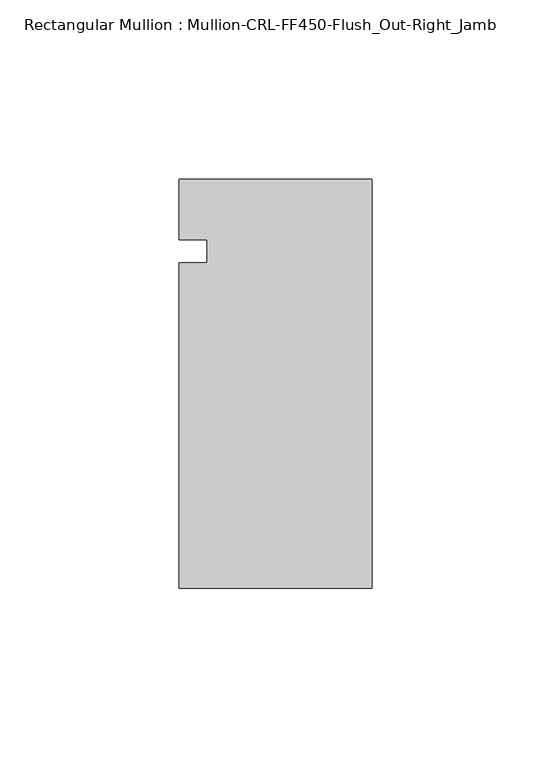
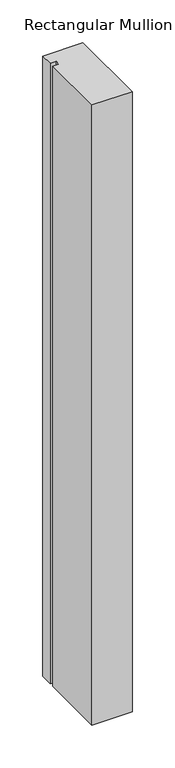
"""IFC4 building model written with IfcOpenShell, lengths in millimetres: member geometry, Rectangular Mullion : Mullion-CRL-FF450-Flush_Out-Right_Jamb."""

import ifcopenshell
import ifcopenshell.guid

model = None  # the IFC model being written
_history = None  # IfcOwnerHistory: only IFC2X3 demands one
_inside = {}  # id of a spatial element -> (the spatial element, [elements in it])
_under = {}  # id of a project, library or spatial element -> (it, [spatial elements below it])
_declared = {}  # id of a project -> (the project, [libraries it declares])
_typed = {}  # id of a type object -> (the type object, [elements of that type])
_made_of = {}  # id of a material, layer set ... -> (it, [elements and type objects made of it])


def new_model(schema):
    """Start an empty IFC model of exactly this schema.

    Asked for "IFC4X3", IfcOpenShell would pick the latest addendum, in which some entities
    have other attributes; the version numbers below select the first issue.
    IFC2X3 requires an IfcOwnerHistory on every rooted entity: one is made here for all.
    """
    global model, _history
    if schema == "IFC4X3":
        model = ifcopenshell.file(schema_version=(4, 3, 0, 0))
    else:
        model = ifcopenshell.file(schema=schema)
    _inside.clear()
    _under.clear()
    _declared.clear()
    _typed.clear()
    _made_of.clear()
    _history = None
    if model.schema == "IFC2X3":
        org = make("IfcOrganization", Name="unknown")
        user = make(
            "IfcPersonAndOrganization",
            ThePerson=make("IfcPerson", FamilyName="unknown"),
            TheOrganization=org,
        )
        app = make(
            "IfcApplication",
            ApplicationDeveloper=org,
            Version="unknown",
            ApplicationFullName="unknown",
            ApplicationIdentifier="unknown",
        )
        _history = make(
            "IfcOwnerHistory",
            OwningUser=user,
            OwningApplication=app,
            ChangeAction="ADDED",
            CreationDate=0,
        )
    return model


def make(cls, **values):
    """One entity of the class cls with the attributes given. An attribute that is None is left unset."""
    return model.create_entity(
        cls, **{name: value for name, value in values.items() if value is not None}
    )


def rooted(cls, **values):
    """An entity with a GlobalId (a new one), such as an element, a storey or a relation."""
    return make(cls, GlobalId=ifcopenshell.guid.new(), OwnerHistory=_history, **values)


def si_unit(unit_type, name, prefix=None):
    """IfcSIUnit, for example si_unit("LENGTHUNIT", "METRE", prefix="MILLI")."""
    return make("IfcSIUnit", UnitType=unit_type, Prefix=prefix, Name=name)


def assignment(units):
    """IfcUnitAssignment: the units of a project."""
    return None if units is None else make("IfcUnitAssignment", Units=units)


def point(xyz):
    """IfcCartesianPoint."""
    return None if xyz is None else make("IfcCartesianPoint", Coordinates=xyz)


def direction(xyz):
    """IfcDirection."""
    return None if xyz is None else make("IfcDirection", DirectionRatios=xyz)


def frame(location, z_axis=None, x_axis=None):
    """IfcAxis2Placement3D, a coordinate frame: its origin and axes. An axis left out is left unset."""
    return make(
        "IfcAxis2Placement3D",
        Location=point(location),
        Axis=direction(z_axis),
        RefDirection=direction(x_axis),
    )


def origin():
    """The frame at (0, 0, 0) with its axes left unset."""
    return frame((0.0, 0.0, 0.0))


def place(relative_to, where):
    """IfcLocalPlacement: puts the frame where relative to a parent placement (None: the world)."""
    return make(
        "IfcLocalPlacement", PlacementRelTo=relative_to, RelativePlacement=where
    )


def context(
    kind, dimensions, precision=None, world=None, true_north=None, identifier=None
):
    """IfcGeometricRepresentationContext, for example the 3D "Model" context."""
    return make(
        "IfcGeometricRepresentationContext",
        ContextIdentifier=identifier,
        ContextType=kind,
        CoordinateSpaceDimension=dimensions,
        Precision=precision,
        WorldCoordinateSystem=world,
        TrueNorth=true_north,
    )


def project(units=None, contexts=None):
    """IfcProject with its units and contexts."""
    return rooted(
        "IfcProject",
        Name="project",
        RepresentationContexts=contexts,
        UnitsInContext=assignment(units),
    )


def spatial(cls, under=None, at=None, **own):
    """A site, building, storey or space (cls), placed at a placement, below another one or the project."""
    s = rooted(cls, ObjectPlacement=at, **own)
    if under is not None:
        _under.setdefault(under.id(), (under, []))[1].append(s)
    return s


def polyline(points):
    """IfcPolyline through the points."""
    return make("IfcPolyline", Points=[point(p) for p in points])


def outline(outer, holes=None, kind="AREA"):
    """IfcArbitraryClosedProfileDef: a profile drawn as a closed curve; with holes, ...WithVoids."""
    if holes is None:
        return make("IfcArbitraryClosedProfileDef", ProfileType=kind, OuterCurve=outer)
    return make(
        "IfcArbitraryProfileDefWithVoids",
        ProfileType=kind,
        OuterCurve=outer,
        InnerCurves=holes,
    )


def extrude(swept, where, along, depth):
    """IfcExtrudedAreaSolid: the profile swept, set in the frame where, extruded along a direction by depth."""
    return make(
        "IfcExtrudedAreaSolid",
        SweptArea=swept,
        Position=where,
        ExtrudedDirection=direction(along),
        Depth=depth,
    )


def shape(context_of_items, identifier, shape_type, items):
    """IfcShapeRepresentation: the items that make up one representation, for example the "Body"."""
    return make(
        "IfcShapeRepresentation",
        ContextOfItems=context_of_items,
        RepresentationIdentifier=identifier,
        RepresentationType=shape_type,
        Items=items,
    )


def source(mapping_origin, context_of_items, identifier, shape_type, items):
    """IfcRepresentationMap: a shape defined once, which mapped items show again and again."""
    return make(
        "IfcRepresentationMap",
        MappingOrigin=mapping_origin,
        MappedRepresentation=shape(context_of_items, identifier, shape_type, items),
    )


def transform(
    local_origin,
    x_axis=None,
    y_axis=None,
    z_axis=None,
    scale=None,
    scale2=None,
    scale3=None,
    uniform=True,
):
    """IfcCartesianTransformationOperator3D, or its non-uniform kind. x_axis, y_axis, z_axis: its Axis1, 2, 3."""
    if uniform:
        return make(
            "IfcCartesianTransformationOperator3D",
            Axis1=direction(x_axis),
            Axis2=direction(y_axis),
            LocalOrigin=point(local_origin),
            Scale=scale,
            Axis3=direction(z_axis),
        )
    return make(
        "IfcCartesianTransformationOperator3DnonUniform",
        Axis1=direction(x_axis),
        Axis2=direction(y_axis),
        LocalOrigin=point(local_origin),
        Scale=scale,
        Axis3=direction(z_axis),
        Scale2=scale2,
        Scale3=scale3,
    )


def mapped(mapping_source, mapping_target):
    """IfcMappedItem: shows the shape of a source again, moved by a transform."""
    return make(
        "IfcMappedItem", MappingSource=mapping_source, MappingTarget=mapping_target
    )


def made_of(thing, what):
    """Note that an element or type object is made of a material, layer set ...; save() writes the relation."""
    if what is not None:
        _made_of.setdefault(what.id(), (what, []))[1].append(thing)
    return thing


def element(
    cls,
    number,
    at=None,
    inside=None,
    cuts=None,
    type_object=None,
    material=None,
    context=None,
    identifier="Body",
    shape_type=None,
    held_by="IfcProductDefinitionShape",
    body=None,
    shapes=None,
    **own,
):
    """One element of the class cls, such as IfcWall. Its Tag is "e" and its number.

    at: its placement. inside: the storey or other place that contains it. cuts: it is an
    opening in that element (IfcRelVoidsElement). A single representation is given by context,
    identifier, shape_type and body (its items); several are given by shapes. held_by: the class
    of the entity that holds the representations. save() writes the other relations.
    """
    e = rooted(cls, Tag="e%d" % number, ObjectPlacement=at, **own)
    if body is not None:
        shapes = [shape(context, identifier, shape_type, body)]
    if shapes is not None:
        e.Representation = make(held_by, Representations=shapes)
    if inside is not None:
        _inside.setdefault(inside.id(), (inside, []))[1].append(e)
    if cuts is not None:
        rooted(
            "IfcRelVoidsElement", RelatingBuildingElement=cuts, RelatedOpeningElement=e
        )
    if type_object is not None:
        _typed.setdefault(type_object.id(), (type_object, []))[1].append(e)
    return made_of(e, material)


def aggregate(whole, parts):
    """IfcRelAggregates: a whole, such as a stair, and the parts it consists of."""
    return rooted("IfcRelAggregates", RelatingObject=whole, RelatedObjects=parts)


def save(model, path):
    """Write the relations noted so far, then the file.

    IfcRelAggregates (storeys below a building ...), IfcRelContainedInSpatialStructure (elements
    in a storey), IfcRelDefinesByType, IfcRelAssociatesMaterial and IfcRelDeclares: one each for
    every whole, place, type object, material and project.
    """
    for whole, parts in _under.values():
        aggregate(whole, parts)
    for where, things in _inside.values():
        rooted(
            "IfcRelContainedInSpatialStructure",
            RelatedElements=things,
            RelatingStructure=where,
        )
    for kind, things in _typed.values():
        rooted("IfcRelDefinesByType", RelatedObjects=things, RelatingType=kind)
    for what, things in _made_of.values():
        rooted("IfcRelAssociatesMaterial", RelatedObjects=things, RelatingMaterial=what)
    for by, libraries in _declared.values():
        rooted("IfcRelDeclares", RelatingContext=by, RelatedDefinitions=libraries)
    model.write(path)


def rectangular_mullion_mullion_crl_ff450_flush_out_right_jamb_f270a04f(model_context):
    return source(origin(), model_context, "Body", "SweptSolid", [
        extrude(outline(polyline([(0.0, 20.160815), (0.0, -94.139185), (-53.9750401, -94.139185), (-53.9750401, -3.1555912), (-46.0375401, -3.1555912), (-46.0375401, 3.1944088), (-53.9750401, 3.1944088), (-53.9750401, 20.160815), (0.0, 20.160815)])), frame((0.0, 0.0, -882.65), z_axis=(0.0, 0.0, 1.0), x_axis=(1.0, 0.0, 0.0)), (0.0, 0.0, 1.0), 882.65),
    ])


if __name__ == "__main__":
    model = new_model("IFC4")
    model_context = context("Model", 3, world=origin())
    ifc_project = project(units=[si_unit("LENGTHUNIT", "METRE", prefix="MILLI")], contexts=[model_context])
    site = spatial("IfcSite", under=ifc_project)
    building = spatial("IfcBuilding", under=site)
    placement = place(None, origin())
    rectangular_mullion_mullion_crl_ff450_flush_out_right_jamb_shape = rectangular_mullion_mullion_crl_ff450_flush_out_right_jamb_f270a04f(model_context)
    element("IfcMember", 1, ObjectType="Rectangular Mullion : Mullion-CRL-FF450-Flush_Out-Right_Jamb", at=placement, inside=building, context=model_context, shape_type="MappedRepresentation", body=[
        mapped(rectangular_mullion_mullion_crl_ff450_flush_out_right_jamb_shape, transform((0.0, 0.0, 0.0), x_axis=(1.0, 0.0, 0.0), y_axis=(0.0, 1.0, 0.0), z_axis=(0.0, 0.0, 1.0))),
    ])
    save(model, "model.ifc")
